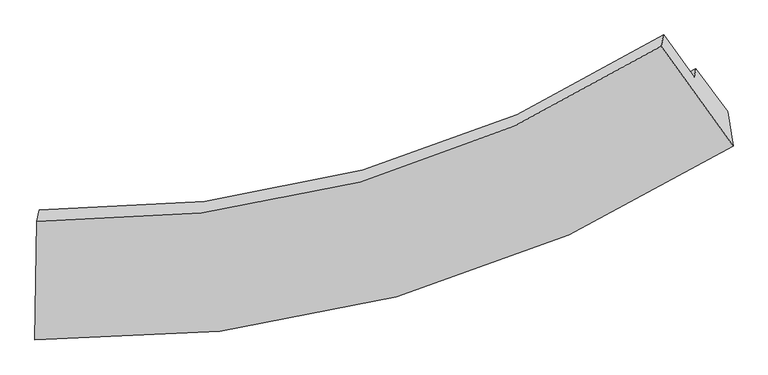
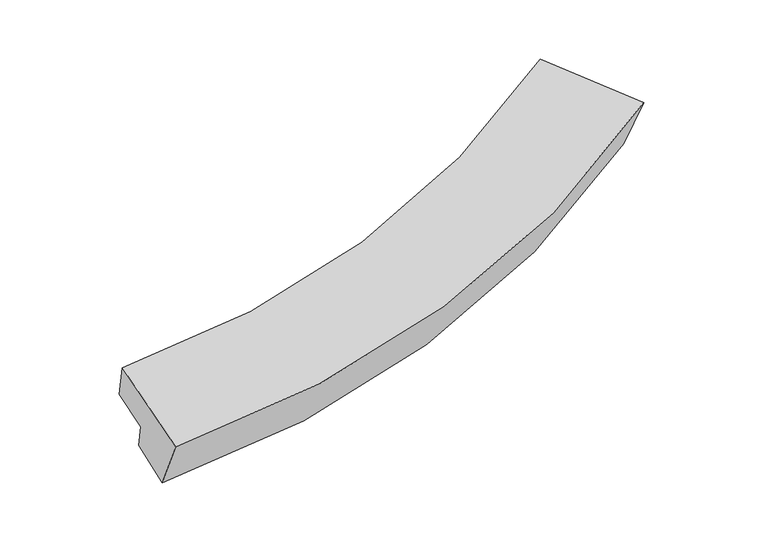
"""IFC4 building model written with IfcOpenShell, lengths in millimetres: proxy geometry."""

from ifc_helpers import new_model, si_unit, frame, origin, place, context, project, spatial, source, transform, mapped, element, save
from ifc_brep_helpers import plane_surface, spline_curve, spline_surface, advanced_brep


def generic_models_133a22f9(model_context):
    return source(origin(), model_context, "Body", "AdvancedBrep", [
        advanced_brep(
        [(-4140.2662937, -3507.037426, 1740.1022369), (-4080.284904, -3050.220208, 853.6467765), (4380.2891831, -699.350688, 1994.7818688), (4444.5842572, -1119.7109691, 2890.8810881), (-4120.2490482, -2049.9698327, 2135.0475794), (3560.2289348, 107.1430652, 3168.6637468), (-4087.827509, -1905.7926095, 1601.4928648), (3591.6906384, 247.0519398, 2650.9048524), (-4096.0072659, -2501.2021379, 1440.1041817), (3965.0567904, -270.9138125, 2533.6277357), (-4073.3250033, -2400.3350687, 1066.8267727), (3987.8921198, -169.3660614, 2157.8313365)],
        [
            (0, 1),
            (1, 2, spline_curve(3, [(-4080.284904, -3050.220208, 853.6467765), (-2556.369158712, -3080.089232868, 932.224244425), (-1096.529051555, -2903.64569107, 1064.930611759), (1726.59613647, -2129.468934039, 1442.830580444), (3086.947392125, -1522.2893024, 1690.502576956), (4380.2891831, -699.350688, 1994.7818688)], [4, 2, 4], [0.0, 14.640945135094174, 29.613320813479202])),
            (2, 3),
            (3, 0, spline_curve(3, [(4444.5842572, -1119.7109691, 2890.8810881), (3133.368158666, -1960.066268381, 2585.499721106), (1753.590288655, -2578.963241863, 2336.461117664), (-1111.028351071, -3365.04278101, 1955.334981021), (-2592.867331351, -3541.921293262, 1820.780633601), (-4140.2662937, -3507.037426, 1740.1022369)], [4, 2, 4], [0.0, 14.972375678385028, 29.613320813479202])),
            (4, 0),
            (3, 5),
            (5, 4, spline_curve(3, [(3560.2289348, 107.1430652, 3168.6637468), (2388.896559806, -646.318683271, 2895.262823115), (1155.338534461, -1202.638845708, 2672.018806876), (-1407.545173076, -1913.045173887, 2329.676066917), (-2734.146475317, -2075.762643856, 2208.381361339), (-4120.2490482, -2049.9698327, 2135.0475794)], [4, 2, 4], [0.0, 14.292960537264753, 28.26953015715898])),
            (6, 4),
            (5, 7),
            (7, 6, spline_curve(3, [(3591.6906384, 247.0519398, 2650.9048524), (2420.676090664, -504.996443739, 2372.273507769), (1187.356987578, -1060.254130595, 2145.097602095), (-1375.210229733, -1769.253038366, 1797.546441831), (-2701.730508483, -1931.610201199, 1674.918351351), (-4087.827509, -1905.7926095, 1601.4928648)], [4, 2, 4], [0.0, 13.503056641074268, 26.70720778479989])),
            (8, 6),
            (7, 9),
            (9, 8, spline_curve(3, [(3965.0567904, -270.9138125, 2533.6277357), (2734.233924268, -1060.8172097, 2241.132942065), (1438.834165468, -1641.389482446, 2003.34418482), (-1251.014509244, -2375.653933838, 1641.231487373), (-2642.636102667, -2538.511102979, 1514.512393245), (-4096.0072659, -2501.2021379, 1440.1041817)], [4, 2, 4], [0.0, 13.833039641059699, 27.359869236226743])),
            (10, 8),
            (9, 11),
            (11, 10, spline_curve(3, [(3987.8921198, -169.3660614, 2157.8313365), (2756.8679721, -960.164548229, 1868.648988098), (1461.355656627, -1541.237356677, 1632.712558065), (-1228.54015584, -2275.711427954, 1271.375596735), (-2620.100214585, -2438.294954598, 1143.643838947), (-4073.3250033, -2400.3350687, 1066.8267727)], [4, 2, 4], [0.0, 14.163067296503455, 28.01261901007095])),
            (1, 10),
            (11, 2),
        ],
        [
            spline_surface(3, 3, [[(-4140.2662937, -3507.037426, 1740.1022369), (-2592.86733142, -3541.921293113, 1820.780633801), (-1111.028351129, -3365.042780865, 1955.334981014), (1753.590288714, -2578.963242011, 2336.461117672), (3133.368158709, -1960.066268574, 2585.499720868), (4444.5842572, -1119.7109691, 2890.8810881)], [(-4120.272497147, -3354.765020017, 1444.617083435), (-2580.701273855, -3387.977272972, 1524.595170645), (-1106.195251323, -3211.243750885, 1658.533524598), (1744.592238039, -2429.131806071, 2038.584271905), (3117.894569819, -1814.140613226, 2287.167339599), (4423.152565832, -979.590875377, 2592.18134835)], [(-4100.278700553, -3202.492613983, 1149.131929965), (-2568.53521625, -3234.03325278, 1228.409707484), (-1101.362151546, -3057.444720903, 1361.732068215), (1735.594187334, -2279.300370129, 1740.707426171), (3102.420980934, -1668.214957946, 1988.83495828), (4401.720874468, -839.470781723, 2293.48160855)], [(-4080.284904, -3050.220208, 853.6467765), (-2556.369158684, -3080.089232639, 932.224244328), (-1096.52905174, -2903.645690923, 1064.930611799), (1726.596136659, -2129.468934189, 1442.830580404), (3086.947392044, -1522.289302598, 1690.502577011), (4380.2891831, -699.350688, 1994.7818688)]], [4, 4], [4, 2, 4], [0.0, 3.2859408711287137], [0.0, 14.640945135094174, 29.613320813479202]),
            spline_surface(3, 3, [[(-4120.2490482, -2049.9698327, 2135.0475794), (-2734.146475395, -2075.7626437, 2208.38136125), (-1407.54517305, -1913.045173688, 2329.676067123), (1155.338534434, -1202.638845912, 2672.018806665), (2388.896559733, -646.318683234, 2895.262823293), (3560.2289348, 107.1430652, 3168.6637468)], [(-4126.921463368, -2535.659030464, 2003.399131886), (-2687.053427405, -2564.482193502, 2079.181118753), (-1308.706232418, -2397.044376096, 2204.895705103), (1354.755785853, -1661.413644627, 2560.166243683), (2637.053759386, -1084.23454501, 2792.008455817), (3855.01404226, -301.808279562, 3076.069527232)], [(-4133.593878532, -3021.348228236, 1871.750684414), (-2639.96037941, -3053.201743311, 1949.980876298), (-1209.867291761, -2881.043578457, 2080.115343034), (1554.173037296, -2120.188443295, 2448.313680654), (2885.210959057, -1522.150406798, 2688.754088344), (4149.79914974, -710.759624338, 2983.475307668)], [(-4140.2662937, -3507.037426, 1740.1022369), (-2592.86733142, -3541.921293113, 1820.780633801), (-1111.028351129, -3365.042780865, 1955.334981014), (1753.590288714, -2578.963242011, 2336.461117672), (3133.368158709, -1960.066268574, 2585.499720868), (4444.5842572, -1119.7109691, 2890.8810881)]], [4, 4], [4, 2, 4], [0.0, 5.00400101133098], [0.0, 13.976569619894226, 28.26953015715898]),
            spline_surface(3, 3, [[(-4087.827509, -1905.7926095, 1601.4928648), (-2701.730508651, -1931.610200979, 1674.918351437), (-1375.210229554, -1769.253038311, 1797.546441826), (1187.356987395, -1060.254130651, 2145.0976021), (2420.676090737, -504.996443516, 2372.273507572), (3591.6906384, 247.0519398, 2650.9048524)], [(-4098.634688731, -1953.851683897, 1779.344436325), (-2712.535830897, -1979.661015217, 1852.7393547), (-1385.988544025, -1817.183750106, 1974.922983592), (1176.684169769, -1107.715702407, 2320.738003622), (2410.082913735, -552.103856763, 2546.603279451), (3581.203403866, 200.415648259, 2823.491150505)], [(-4109.441868469, -2001.910758303, 1957.196007875), (-2723.341153149, -2027.711829463, 2030.560357987), (-1396.766858579, -1865.114461893, 2152.299525358), (1166.01135206, -1155.177274155, 2496.378405143), (2399.489736735, -599.211269988, 2720.933051414), (3570.716169334, 153.779356741, 2996.077448695)], [(-4120.2490482, -2049.9698327, 2135.0475794), (-2734.146475395, -2075.7626437, 2208.38136125), (-1407.54517305, -1913.045173688, 2329.676067123), (1155.338534434, -1202.638845912, 2672.018806665), (2388.896559733, -646.318683234, 2895.262823293), (3560.2289348, 107.1430652, 3168.6637468)]], [4, 4], [4, 2, 4], [0.0, 1.802491741423132], [0.0, 13.204151143725623, 26.70720778479989]),
            spline_surface(3, 3, [[(-4096.0072659, -2501.2021379, 1440.1041817), (-2642.636102546, -2538.511103014, 1514.512393364), (-1251.014509197, -2375.653933833, 1641.231487471), (1438.83416542, -1641.389482451, 2003.34418472), (2734.233924169, -1060.817209857, 2241.132941912), (3965.0567904, -270.9138125, 2533.6277357)], [(-4093.280680265, -2302.732295093, 1493.90040942), (-2662.334237913, -2336.210802329, 1567.981046075), (-1292.413082655, -2173.520301979, 1693.336472251), (1355.008439406, -1447.677698505, 2050.595323842), (2629.714646373, -875.543621101, 2284.846463804), (3840.601406415, -98.258561757, 2572.720107938)], [(-4090.554094635, -2104.262452307, 1547.69663708), (-2682.032373284, -2133.910501665, 1621.449698726), (-1333.811656096, -1971.386670165, 1745.441457046), (1271.182713409, -1253.965914598, 2097.846462979), (2525.195368533, -690.270032272, 2328.559985681), (3716.146022385, 74.396689057, 2611.812480162)], [(-4087.827509, -1905.7926095, 1601.4928648), (-2701.730508651, -1931.610200979, 1674.918351437), (-1375.210229554, -1769.253038311, 1797.546441826), (1187.356987395, -1060.254130651, 2145.0976021), (2420.676090737, -504.996443516, 2372.273507572), (3591.6906384, 247.0519398, 2650.9048524)]], [4, 4], [4, 2, 4], [0.0, 2.101277623906819], [0.0, 13.526829595167044, 27.359869236226743]),
            spline_surface(3, 3, [[(-4073.3250033, -2400.3350687, 1066.8267727), (-2620.100214388, -2438.29495481, 1143.643838955), (-1228.540155782, -2275.711427765, 1271.375596833), (1461.355656567, -1541.23735687, 1632.712557965), (2756.867972293, -960.164548139, 1868.648987972), (3987.8921198, -169.3660614, 2157.8313365)], [(-4080.885757499, -2433.957425097, 1191.252575704), (-2627.612177107, -2471.700337541, 1267.266690429), (-1236.031606941, -2309.025596452, 1394.660893718), (1453.84849283, -1574.621398728, 1756.256433556), (2749.323289569, -993.715435358, 1992.810305949), (3980.280343318, -203.215311746, 2283.096802897)], [(-4088.446511701, -2467.579781503, 1315.678378696), (-2635.124139827, -2505.105720283, 1390.889541891), (-1243.523058038, -2342.339765146, 1517.946190585), (1446.341329156, -1608.005440593, 1879.800309129), (2741.778606893, -1027.266322639, 2116.971623935), (3972.668566882, -237.064562154, 2408.362269303)], [(-4096.0072659, -2501.2021379, 1440.1041817), (-2642.636102546, -2538.511103014, 1514.512393364), (-1251.014509197, -2375.653933833, 1641.231487471), (1438.83416542, -1641.389482451, 2003.34418472), (2734.233924169, -1060.817209857, 2241.132941912), (3965.0567904, -270.9138125, 2533.6277357)]], [4, 4], [4, 2, 4], [0.0, 1.2604720989898843], [0.0, 13.849551713567495, 28.01261901007095]),
            spline_surface(3, 3, [[(-4080.284904, -3050.220208, 853.6467765), (-2556.369158684, -3080.089232639, 932.224244328), (-1096.52905174, -2903.645690923, 1064.930611799), (1726.596136659, -2129.468934189, 1442.830580404), (3086.947392044, -1522.289302598, 1690.502577011), (4380.2891831, -699.350688, 1994.7818688)], [(-4077.964937089, -2833.591828232, 924.70677523), (-2577.612843908, -2866.157806694, 1002.697442534), (-1140.532753091, -2694.334269867, 1133.745606805), (1638.182643292, -1933.391741746, 1506.124572918), (2976.920918803, -1334.914384462, 1749.884714009), (4249.490162009, -522.689145817, 2049.131691378)], [(-4075.644970211, -2616.963448468, 995.76677397), (-2598.856529165, -2652.226380754, 1073.170640749), (-1184.536454431, -2485.022848821, 1202.560601828), (1549.769149934, -1737.314549313, 1569.41856545), (2866.894445534, -1147.539466275, 1809.266850974), (4118.691140891, -346.027603583, 2103.481513922)], [(-4073.3250033, -2400.3350687, 1066.8267727), (-2620.100214388, -2438.29495481, 1143.643838955), (-1228.540155782, -2275.711427765, 1271.375596833), (1461.355656567, -1541.23735687, 1632.712557965), (2756.867972293, -960.164548139, 1868.648987972), (3987.8921198, -169.3660614, 2157.8313365)]], [4, 4], [4, 2, 4], [0.0, 2.1970929586749546], [0.0, 14.191208899761579, 28.703667557117562]),
            plane_surface(frame((3988.2903206, -317.524421, 2566.1151047), z_axis=(0.8159646217991158, 0.54368277416853, 0.19649625198623372), x_axis=(-0.5751281594989813, 0.7978674237106338, 0.1806520808977035))),
            plane_surface(frame((-4099.660004, -2569.0928805, 1472.8700687), z_axis=(-0.9981958117191664, 0.02809632783935248, -0.05306333789216744), x_axis=(-0.06003896398221272, -0.45725570298540563, 0.8873063421903763))),
        ],
        [
            (0, [[1, 2, 3, 4]]),
            (1, [[5, -4, 6, 7]]),
            (2, [[8, -7, 9, 10]]),
            (3, [[11, -10, 12, 13]]),
            (4, [[14, -13, 15, 16]]),
            (5, [[17, -16, 18, -2]]),
            (6, [[-12, -9, -6, -3, -18, -15]]),
            (7, [[-1, -5, -8, -11, -14, -17]]),
        ],
    ),
    ])


if __name__ == "__main__":
    model = new_model("IFC4")
    model_context = context("Model", 3, world=origin())
    ifc_project = project(units=[si_unit("LENGTHUNIT", "METRE", prefix="MILLI")], contexts=[model_context])
    site = spatial("IfcSite", under=ifc_project)
    building = spatial("IfcBuilding", under=site)
    placement = place(None, origin())
    generic_models_shape = generic_models_133a22f9(model_context)
    element("IfcBuildingElementProxy", 1, Name="Generic Models", at=placement, inside=building, context=model_context, shape_type="MappedRepresentation", body=[
        mapped(generic_models_shape, transform((0.0, 0.0, 0.0), x_axis=(1.0, 0.0, 0.0), y_axis=(0.0, 1.0, 0.0), z_axis=(0.0, 0.0, 1.0))),
    ])
    save(model, "model.ifc")
